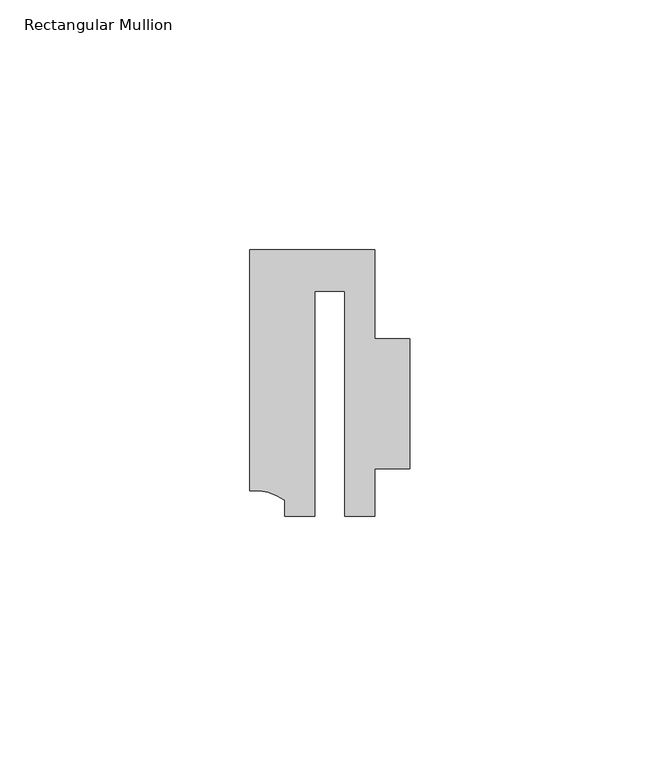
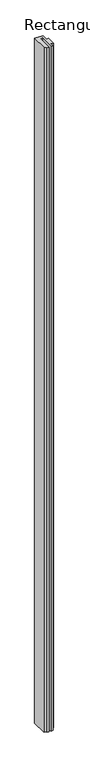
"""IFC4 building model written with IfcOpenShell, lengths in millimetres: member geometry, Rectangular Mullion."""

from ifc_helpers import new_model, si_unit, point, frame, frame_2d, origin, place, context, project, spatial, polyline, circle_curve, trimmed, segment, composite_curve, outline, extrude, source, transform, mapped, element, save


def rectangular_mullion_34bfc514(model_context):
    return source(origin(), model_context, "Body", "SweptSolid", [
        extrude(outline(composite_curve([segment(polyline([(-2.9999659, 24.5130805), (-2.9999659, -20.5039877), (-9.0, -20.5039877), (-9.0, -17.3165089)]), True, "CONTINUOUS"), segment(trimmed(circle_curve(frame_2d((-15.1098019, -25.802169)), 10.4563907), [point((-9.0, -17.3165089))], [point((-15.9999391, -15.3837352))], True, "CARTESIAN"), True, "CONTINUOUS"), segment(polyline([(-15.9999391, -15.3837352), (-15.9999391, 32.7960123), (9.0, 32.7960123), (9.0, 14.9953356), (15.9999391, 14.9953356), (15.9999391, -11.0039877), (8.9999842, -11.0039877), (8.9999842, -20.5039877), (2.9999676, -20.5039877), (2.9999676, 24.5130805), (-2.9999659, 24.5130805)]), True, "CONTINUOUS")], self_intersect=False)), frame((0.0, 0.0, -2200.0), z_axis=(0.0, 0.0, 1.0), x_axis=(1.0, 0.0, 0.0)), (0.0, 0.0, 1.0), 2200.0),
    ])


if __name__ == "__main__":
    model = new_model("IFC4")
    model_context = context("Model", 3, world=origin())
    ifc_project = project(units=[si_unit("LENGTHUNIT", "METRE", prefix="MILLI")], contexts=[model_context])
    site = spatial("IfcSite", under=ifc_project)
    building = spatial("IfcBuilding", under=site)
    placement = place(None, origin())
    rectangular_mullion_shape = rectangular_mullion_34bfc514(model_context)
    element("IfcMember", 1, ObjectType="Rectangular Mullion", at=placement, inside=building, context=model_context, shape_type="MappedRepresentation", body=[
        mapped(rectangular_mullion_shape, transform((0.0, 0.0, 0.0), x_axis=(1.0, 0.0, 0.0), y_axis=(0.0, 1.0, 0.0), z_axis=(0.0, 0.0, 1.0))),
    ])
    save(model, "model.ifc")
